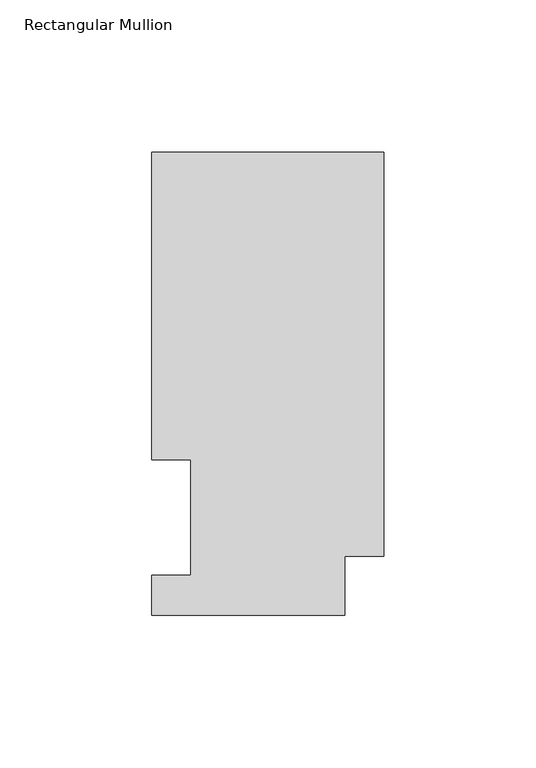
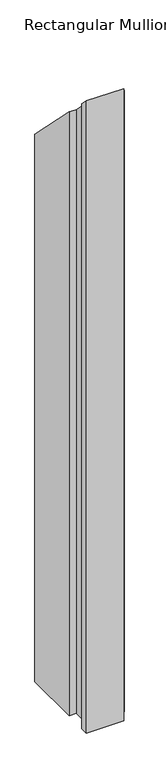
"""IFC4 building model written with IfcOpenShell, lengths in millimetres: member geometry, Rectangular Mullion."""

from ifc_helpers import new_model, si_unit, origin, place, context, project, spatial, faceted_brep, source, transform, mapped, element, save


def rectangular_mullion_c53e5bf8(model_context):
    return source(origin(), model_context, "Body", "Brep", [
        faceted_brep([(-76.2, 13.1960938, -1143.0134938), (-63.5127, 13.1960938, -1143.0134938), (-63.5127, 51.2960938, -1143.0134938), (-76.2, 51.2960938, -1143.0134938), (-76.2, 152.4896938, -1143.0134938), (0.0, 152.4896938, -1143.0134938), (0.0, 19.5460937, -1143.0134938), (-12.7, 19.5460937, -1143.0134938), (-12.7, 0.0134938, -1143.0134938), (-76.2, 0.0134938, -1143.0134938), (-76.2, 0.0134938, -0.0134938), (-76.2, 13.1960938, -13.1960938), (-12.7, 0.0134938, -0.0134938), (-12.7, 19.5460937, -19.5460937), (0.0, 19.5460937, -19.5460937), (0.0, 152.4896938, -152.4896938), (-76.2, 152.4896938, -152.4896937), (-76.2, 51.2960938, -51.2960937), (-63.5127, 51.2960938, -51.2960937), (-63.5127, 13.1960938, -13.1960938)], [[[0, 1, 2, 3, 4, 5, 6, 7, 8, 9]], [[10, 11, 0, 9]], [[12, 10, 9, 8]], [[13, 12, 8, 7]], [[14, 13, 7, 6]], [[15, 14, 6, 5]], [[16, 15, 5, 4]], [[17, 16, 4, 3]], [[18, 17, 3, 2]], [[19, 18, 2, 1]], [[11, 19, 1, 0]], [[11, 10, 12, 13, 14, 15, 16, 17, 18, 19]]]),
    ])


if __name__ == "__main__":
    model = new_model("IFC4")
    model_context = context("Model", 3, world=origin())
    ifc_project = project(units=[si_unit("LENGTHUNIT", "METRE", prefix="MILLI")], contexts=[model_context])
    site = spatial("IfcSite", under=ifc_project)
    building = spatial("IfcBuilding", under=site)
    placement = place(None, origin())
    rectangular_mullion_shape = rectangular_mullion_c53e5bf8(model_context)
    element("IfcMember", 1, ObjectType="Rectangular Mullion", at=placement, inside=building, context=model_context, shape_type="MappedRepresentation", body=[
        mapped(rectangular_mullion_shape, transform((0.0, 0.0, 0.0), x_axis=(1.0, 0.0, 0.0), y_axis=(0.0, 1.0, 0.0), z_axis=(0.0, 0.0, 1.0))),
    ])
    save(model, "model.ifc")
